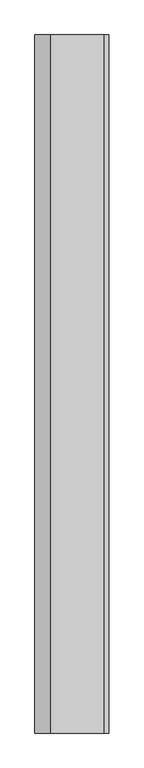
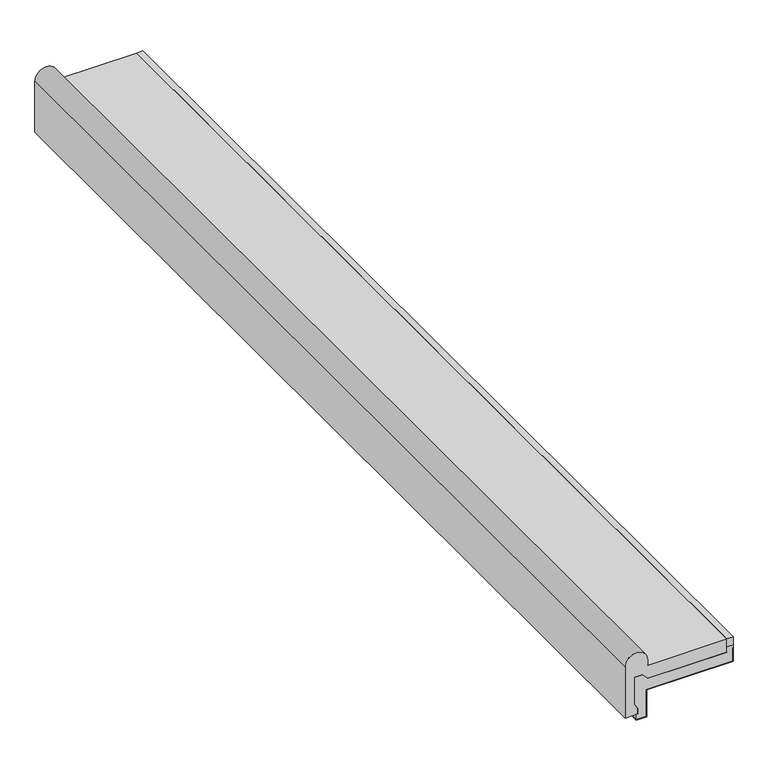
"""IFC4 building model written with IfcOpenShell, lengths in millimetres: proxy geometry."""

from ifc_helpers import new_model, si_unit, point, frame, frame_2d, origin, place, context, project, spatial, polyline, circle_curve, trimmed, segment, composite_curve, outline, extrude, source, transform, mapped, element, save


def generic_models_fa10d4a6(model_context):
    return source(origin(), model_context, "Body", "SweptSolid", [
        extrude(outline(polyline([(180.0, 903.794193), (191.0, 903.794193), (191.0, -903.794193), (180.0, -903.794193), (180.0, 903.794193)])), frame((0.0, 0.0, 81.0), z_axis=(0.0, 0.0, 1.0), x_axis=(1.0, 0.0, 0.0)), (0.0, 0.0, 1.0), 15.0),
        extrude(outline(polyline([(51.0, 190.0), (51.0, 37.5062786), (1.0, 37.5062786), (1.0, 20.0), (0.0, 20.0), (0.0, 38.5062786), (50.0, 38.5062786), (50.0, 191.0), (76.0, 191.0), (76.0, 190.0), (51.0, 190.0)])), frame((0.0, -903.794193, 0.0), z_axis=(0.0, 1.0, 0.0), x_axis=(0.0, 0.0, 1.0)), (0.0, 0.0, 1.0), 1807.5883861),
        extrude(outline(polyline([(21.0, 22.5), (11.0, 22.5), (11.0, 20.0), (1.0, 20.0), (1.0, 37.5062786), (51.0, 37.5062786), (51.0, 190.0), (76.0, 190.0), (76.0, 191.0), (81.0, 191.0), (81.0, 180.0), (71.0, 180.0), (71.0, 40.0), (81.0, 30.0), (81.0, 17.5062786), (29.6493791, 17.5062786), (21.0, 22.5)])), frame((0.0, -903.794193, 0.0), z_axis=(0.0, 1.0, 0.0), x_axis=(0.0, 0.0, 1.0)), (0.0, 0.0, 1.0), 1807.5883861),
        extrude(outline(composite_curve([segment(polyline([(96.0, 40.0), (106.0, 40.0)]), True, "CONTINUOUS"), segment(trimmed(circle_curve(frame_2d((106.0, 20.0)), 20.0), [point((106.0, 40.0))], [point((106.0, 0.0))], False, "CARTESIAN"), True, "CONTINUOUS"), segment(polyline([(106.0, 0.0), (11.0, 0.0), (11.0, 22.5), (21.0, 22.5), (29.6493791, 17.5062786), (81.0, 17.5062786), (81.0, 30.0), (71.0, 40.0), (71.0, 180.0), (96.0, 180.0), (96.0, 40.0)]), True, "CONTINUOUS")], self_intersect=False)), frame((0.0, -903.794193, 0.0), z_axis=(0.0, 1.0, 0.0), x_axis=(0.0, 0.0, 1.0)), (0.0, 0.0, 1.0), 1807.5883861),
    ])


if __name__ == "__main__":
    model = new_model("IFC4")
    model_context = context("Model", 3, world=origin())
    ifc_project = project(units=[si_unit("LENGTHUNIT", "METRE", prefix="MILLI")], contexts=[model_context])
    site = spatial("IfcSite", under=ifc_project)
    building = spatial("IfcBuilding", under=site)
    placement = place(None, origin())
    generic_models_shape = generic_models_fa10d4a6(model_context)
    element("IfcBuildingElementProxy", 1, Name="Generic Models", at=placement, inside=building, context=model_context, shape_type="MappedRepresentation", body=[
        mapped(generic_models_shape, transform((0.0, 0.0, 0.0), x_axis=(1.0, 0.0, 0.0), y_axis=(0.0, 1.0, 0.0), z_axis=(0.0, 0.0, 1.0))),
    ])
    save(model, "model.ifc")
